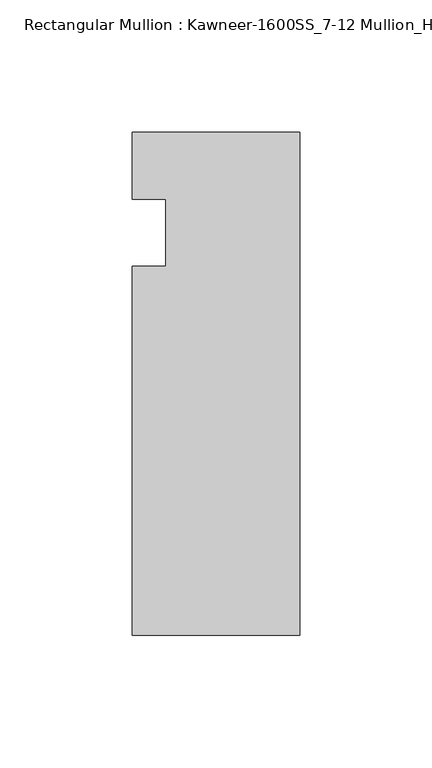
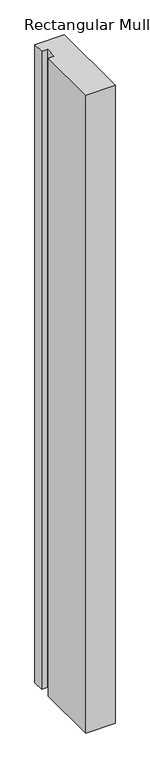
"""IFC4 building model written with IfcOpenShell, lengths in millimetres: member geometry, Rectangular Mullion : Kawneer-1600SS_7-12 Mullion_Head."""

from ifc_helpers import new_model, si_unit, frame, origin, place, context, project, spatial, polyline, outline, extrude, source, transform, mapped, element, save


def rectangular_mullion_kawneer_1600ss_7_12_mullion_head_39220dfc(model_context):
    return source(origin(), model_context, "Body", "SweptSolid", [
        extrude(outline(polyline([(-63.5, -152.4), (-63.5, -12.7), (-50.7982296, -12.7), (-50.7982296, 12.7), (-63.5, 12.7), (-63.5, 38.1), (0.0, 38.1), (0.0, -152.4), (-63.5, -152.4)])), frame((0.0, 0.0, -1460.5), z_axis=(0.0, 0.0, 1.0), x_axis=(1.0, 0.0, 0.0)), (0.0, 0.0, 1.0), 1460.5),
    ])


if __name__ == "__main__":
    model = new_model("IFC4")
    model_context = context("Model", 3, world=origin())
    ifc_project = project(units=[si_unit("LENGTHUNIT", "METRE", prefix="MILLI")], contexts=[model_context])
    site = spatial("IfcSite", under=ifc_project)
    building = spatial("IfcBuilding", under=site)
    placement = place(None, origin())
    rectangular_mullion_kawneer_1600ss_7_12_mullion_head_shape = rectangular_mullion_kawneer_1600ss_7_12_mullion_head_39220dfc(model_context)
    element("IfcMember", 1, ObjectType="Rectangular Mullion : Kawneer-1600SS_7-12 Mullion_Head", at=placement, inside=building, context=model_context, shape_type="MappedRepresentation", body=[
        mapped(rectangular_mullion_kawneer_1600ss_7_12_mullion_head_shape, transform((0.0, 0.0, 0.0), x_axis=(1.0, 0.0, 0.0), y_axis=(0.0, 1.0, 0.0), z_axis=(0.0, 0.0, 1.0))),
    ])
    save(model, "model.ifc")
